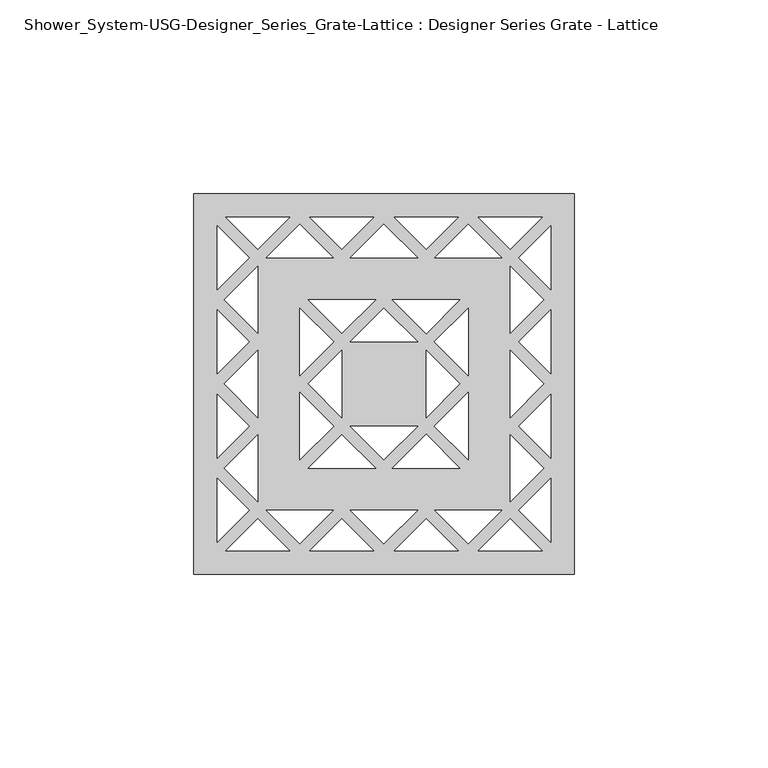
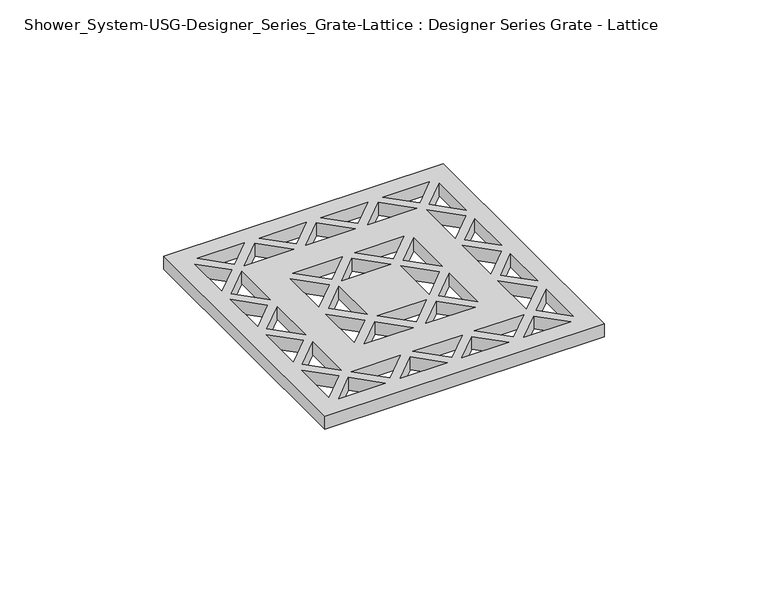
"""IFC4 building model written with IfcOpenShell, lengths in millimetres: proxy geometry, Shower_System-USG-Designer_Series_Grate-Lattice : Designer Series Grate - Lattice."""

import ifcopenshell
import ifcopenshell.guid

model = None  # the IFC model being written
_history = None  # IfcOwnerHistory: only IFC2X3 demands one
_inside = {}  # id of a spatial element -> (the spatial element, [elements in it])
_under = {}  # id of a project, library or spatial element -> (it, [spatial elements below it])
_declared = {}  # id of a project -> (the project, [libraries it declares])
_typed = {}  # id of a type object -> (the type object, [elements of that type])
_made_of = {}  # id of a material, layer set ... -> (it, [elements and type objects made of it])


def new_model(schema):
    """Start an empty IFC model of exactly this schema.

    Asked for "IFC4X3", IfcOpenShell would pick the latest addendum, in which some entities
    have other attributes; the version numbers below select the first issue.
    IFC2X3 requires an IfcOwnerHistory on every rooted entity: one is made here for all.
    """
    global model, _history
    if schema == "IFC4X3":
        model = ifcopenshell.file(schema_version=(4, 3, 0, 0))
    else:
        model = ifcopenshell.file(schema=schema)
    _inside.clear()
    _under.clear()
    _declared.clear()
    _typed.clear()
    _made_of.clear()
    _history = None
    if model.schema == "IFC2X3":
        org = make("IfcOrganization", Name="unknown")
        user = make(
            "IfcPersonAndOrganization",
            ThePerson=make("IfcPerson", FamilyName="unknown"),
            TheOrganization=org,
        )
        app = make(
            "IfcApplication",
            ApplicationDeveloper=org,
            Version="unknown",
            ApplicationFullName="unknown",
            ApplicationIdentifier="unknown",
        )
        _history = make(
            "IfcOwnerHistory",
            OwningUser=user,
            OwningApplication=app,
            ChangeAction="ADDED",
            CreationDate=0,
        )
    return model


def make(cls, **values):
    """One entity of the class cls with the attributes given. An attribute that is None is left unset."""
    return model.create_entity(
        cls, **{name: value for name, value in values.items() if value is not None}
    )


def rooted(cls, **values):
    """An entity with a GlobalId (a new one), such as an element, a storey or a relation."""
    return make(cls, GlobalId=ifcopenshell.guid.new(), OwnerHistory=_history, **values)


def si_unit(unit_type, name, prefix=None):
    """IfcSIUnit, for example si_unit("LENGTHUNIT", "METRE", prefix="MILLI")."""
    return make("IfcSIUnit", UnitType=unit_type, Prefix=prefix, Name=name)


def assignment(units):
    """IfcUnitAssignment: the units of a project."""
    return None if units is None else make("IfcUnitAssignment", Units=units)


def point(xyz):
    """IfcCartesianPoint."""
    return None if xyz is None else make("IfcCartesianPoint", Coordinates=xyz)


def direction(xyz):
    """IfcDirection."""
    return None if xyz is None else make("IfcDirection", DirectionRatios=xyz)


def frame(location, z_axis=None, x_axis=None):
    """IfcAxis2Placement3D, a coordinate frame: its origin and axes. An axis left out is left unset."""
    return make(
        "IfcAxis2Placement3D",
        Location=point(location),
        Axis=direction(z_axis),
        RefDirection=direction(x_axis),
    )


def origin():
    """The frame at (0, 0, 0) with its axes left unset."""
    return frame((0.0, 0.0, 0.0))


def origin_with_axes():
    """The frame at (0, 0, 0) with the z axis (0, 0, 1) and the x axis (1, 0, 0) written out."""
    return frame((0.0, 0.0, 0.0), z_axis=(0.0, 0.0, 1.0), x_axis=(1.0, 0.0, 0.0))


def place(relative_to, where):
    """IfcLocalPlacement: puts the frame where relative to a parent placement (None: the world)."""
    return make(
        "IfcLocalPlacement", PlacementRelTo=relative_to, RelativePlacement=where
    )


def context(
    kind, dimensions, precision=None, world=None, true_north=None, identifier=None
):
    """IfcGeometricRepresentationContext, for example the 3D "Model" context."""
    return make(
        "IfcGeometricRepresentationContext",
        ContextIdentifier=identifier,
        ContextType=kind,
        CoordinateSpaceDimension=dimensions,
        Precision=precision,
        WorldCoordinateSystem=world,
        TrueNorth=true_north,
    )


def project(units=None, contexts=None):
    """IfcProject with its units and contexts."""
    return rooted(
        "IfcProject",
        Name="project",
        RepresentationContexts=contexts,
        UnitsInContext=assignment(units),
    )


def spatial(cls, under=None, at=None, **own):
    """A site, building, storey or space (cls), placed at a placement, below another one or the project."""
    s = rooted(cls, ObjectPlacement=at, **own)
    if under is not None:
        _under.setdefault(under.id(), (under, []))[1].append(s)
    return s


def polyline(points):
    """IfcPolyline through the points."""
    return make("IfcPolyline", Points=[point(p) for p in points])


def outline(outer, holes=None, kind="AREA"):
    """IfcArbitraryClosedProfileDef: a profile drawn as a closed curve; with holes, ...WithVoids."""
    if holes is None:
        return make("IfcArbitraryClosedProfileDef", ProfileType=kind, OuterCurve=outer)
    return make(
        "IfcArbitraryProfileDefWithVoids",
        ProfileType=kind,
        OuterCurve=outer,
        InnerCurves=holes,
    )


def extrude(swept, where, along, depth):
    """IfcExtrudedAreaSolid: the profile swept, set in the frame where, extruded along a direction by depth."""
    return make(
        "IfcExtrudedAreaSolid",
        SweptArea=swept,
        Position=where,
        ExtrudedDirection=direction(along),
        Depth=depth,
    )


def shape(context_of_items, identifier, shape_type, items):
    """IfcShapeRepresentation: the items that make up one representation, for example the "Body"."""
    return make(
        "IfcShapeRepresentation",
        ContextOfItems=context_of_items,
        RepresentationIdentifier=identifier,
        RepresentationType=shape_type,
        Items=items,
    )


def source(mapping_origin, context_of_items, identifier, shape_type, items):
    """IfcRepresentationMap: a shape defined once, which mapped items show again and again."""
    return make(
        "IfcRepresentationMap",
        MappingOrigin=mapping_origin,
        MappedRepresentation=shape(context_of_items, identifier, shape_type, items),
    )


def transform(
    local_origin,
    x_axis=None,
    y_axis=None,
    z_axis=None,
    scale=None,
    scale2=None,
    scale3=None,
    uniform=True,
):
    """IfcCartesianTransformationOperator3D, or its non-uniform kind. x_axis, y_axis, z_axis: its Axis1, 2, 3."""
    if uniform:
        return make(
            "IfcCartesianTransformationOperator3D",
            Axis1=direction(x_axis),
            Axis2=direction(y_axis),
            LocalOrigin=point(local_origin),
            Scale=scale,
            Axis3=direction(z_axis),
        )
    return make(
        "IfcCartesianTransformationOperator3DnonUniform",
        Axis1=direction(x_axis),
        Axis2=direction(y_axis),
        LocalOrigin=point(local_origin),
        Scale=scale,
        Axis3=direction(z_axis),
        Scale2=scale2,
        Scale3=scale3,
    )


def mapped(mapping_source, mapping_target):
    """IfcMappedItem: shows the shape of a source again, moved by a transform."""
    return make(
        "IfcMappedItem", MappingSource=mapping_source, MappingTarget=mapping_target
    )


def made_of(thing, what):
    """Note that an element or type object is made of a material, layer set ...; save() writes the relation."""
    if what is not None:
        _made_of.setdefault(what.id(), (what, []))[1].append(thing)
    return thing


def element(
    cls,
    number,
    at=None,
    inside=None,
    cuts=None,
    type_object=None,
    material=None,
    context=None,
    identifier="Body",
    shape_type=None,
    held_by="IfcProductDefinitionShape",
    body=None,
    shapes=None,
    **own,
):
    """One element of the class cls, such as IfcWall. Its Tag is "e" and its number.

    at: its placement. inside: the storey or other place that contains it. cuts: it is an
    opening in that element (IfcRelVoidsElement). A single representation is given by context,
    identifier, shape_type and body (its items); several are given by shapes. held_by: the class
    of the entity that holds the representations. save() writes the other relations.
    """
    e = rooted(cls, Tag="e%d" % number, ObjectPlacement=at, **own)
    if body is not None:
        shapes = [shape(context, identifier, shape_type, body)]
    if shapes is not None:
        e.Representation = make(held_by, Representations=shapes)
    if inside is not None:
        _inside.setdefault(inside.id(), (inside, []))[1].append(e)
    if cuts is not None:
        rooted(
            "IfcRelVoidsElement", RelatingBuildingElement=cuts, RelatedOpeningElement=e
        )
    if type_object is not None:
        _typed.setdefault(type_object.id(), (type_object, []))[1].append(e)
    return made_of(e, material)


def aggregate(whole, parts):
    """IfcRelAggregates: a whole, such as a stair, and the parts it consists of."""
    return rooted("IfcRelAggregates", RelatingObject=whole, RelatedObjects=parts)


def save(model, path):
    """Write the relations noted so far, then the file.

    IfcRelAggregates (storeys below a building ...), IfcRelContainedInSpatialStructure (elements
    in a storey), IfcRelDefinesByType, IfcRelAssociatesMaterial and IfcRelDeclares: one each for
    every whole, place, type object, material and project.
    """
    for whole, parts in _under.values():
        aggregate(whole, parts)
    for where, things in _inside.values():
        rooted(
            "IfcRelContainedInSpatialStructure",
            RelatedElements=things,
            RelatingStructure=where,
        )
    for kind, things in _typed.values():
        rooted("IfcRelDefinesByType", RelatedObjects=things, RelatingType=kind)
    for what, things in _made_of.values():
        rooted("IfcRelAssociatesMaterial", RelatedObjects=things, RelatingMaterial=what)
    for by, libraries in _declared.values():
        rooted("IfcRelDeclares", RelatingContext=by, RelatedDefinitions=libraries)
    model.write(path)


def shower_system_usg_designer_series_grate_lattice_designer_726db01f(model_context):
    return source(origin(), model_context, "Body", "SweptSolid", [
        extrude(outline(polyline([(49.2125, -49.2125), (-49.2125, -49.2125), (-49.2125, 49.2125), (49.2125, 49.2125), (49.2125, -49.2125)]), holes=[polyline([(34.7984925, 32.6235867), (43.0609375, 24.3611417), (43.0609375, 40.8860317), (34.7984925, 32.6235867)]), polyline([(41.3232098, 21.7490578), (32.6235867, 30.4486809), (32.6235867, 13.0494347), (41.3232098, 21.7490578)]), polyline([(43.0609375, 2.6120839), (43.0609375, 19.1369739), (34.7984925, 10.8745289), (43.0609375, 2.6120839)]), polyline([(41.3232098, 0.0), (32.6235867, 8.6996231), (32.6235867, -8.6996231), (41.3232098, 0.0)]), polyline([(34.7984925, -32.6235867), (43.0609375, -40.8860317), (43.0609375, -24.3611417), (34.7984925, -32.6235867)]), polyline([(41.3232098, -21.7490578), (32.6235867, -13.0494347), (32.6235867, -30.4486809), (41.3232098, -21.7490578)]), polyline([(43.0609375, -2.6120839), (34.7984925, -10.8745289), (43.0609375, -19.1369739), (43.0609375, -2.6120839)]), polyline([(-34.7984925, 32.6235867), (-43.0609375, 40.8860317), (-43.0609375, 24.3611417), (-34.7984925, 32.6235867)]), polyline([(-41.3232098, 21.7490578), (-32.6235867, 13.0494347), (-32.6235867, 30.4486809), (-41.3232098, 21.7490578)]), polyline([(-43.0609375, 2.6120839), (-34.7984925, 10.8745289), (-43.0609375, 19.1369739), (-43.0609375, 2.6120839)]), polyline([(-41.3232098, 0.0), (-32.6235867, -8.6996231), (-32.6235867, 8.6996231), (-41.3232098, 0.0)]), polyline([(-34.7984925, -32.6235867), (-43.0609375, -24.3611417), (-43.0609375, -40.8860317), (-34.7984925, -32.6235867)]), polyline([(-41.3232098, -21.7490578), (-32.6235867, -30.4486809), (-32.6235867, -13.0494347), (-41.3232098, -21.7490578)]), polyline([(-43.0609375, -2.6120839), (-43.0609375, -19.1369739), (-34.7984925, -10.8745289), (-43.0609375, -2.6120839)]), polyline([(-32.6235867, -34.7984925), (-40.8860317, -43.0609375), (-24.3611417, -43.0609375), (-32.6235867, -34.7984925)]), polyline([(-21.7490578, -41.3232098), (-13.0494347, -32.6235867), (-30.4486809, -32.6235867), (-21.7490578, -41.3232098)]), polyline([(-2.6120839, -43.0609375), (-10.8745289, -34.7984925), (-19.1369739, -43.0609375), (-2.6120839, -43.0609375)]), polyline([(0.0, -41.3232098), (8.6996231, -32.6235867), (-8.6996231, -32.6235867), (0.0, -41.3232098)]), polyline([(32.6235867, -34.7984925), (24.3611417, -43.0609375), (40.8860317, -43.0609375), (32.6235867, -34.7984925)]), polyline([(21.7490578, -41.3232098), (30.4486809, -32.6235867), (13.0494347, -32.6235867), (21.7490578, -41.3232098)]), polyline([(2.6120839, -43.0609375), (19.1369739, -43.0609375), (10.8745289, -34.7984925), (2.6120839, -43.0609375)]), polyline([(-32.6235867, 34.7984925), (-24.3611417, 43.0609375), (-40.8860317, 43.0609375), (-32.6235867, 34.7984925)]), polyline([(-21.7490578, 41.3232098), (-30.4486809, 32.6235867), (-13.0494347, 32.6235867), (-21.7490578, 41.3232098)]), polyline([(-2.6120839, 43.0609375), (-19.1369739, 43.0609375), (-10.8745289, 34.7984925), (-2.6120839, 43.0609375)]), polyline([(0.0, 41.3232098), (-8.6996231, 32.6235867), (8.6996231, 32.6235867), (0.0, 41.3232098)]), polyline([(32.6235867, 34.7984925), (40.8860317, 43.0609375), (24.3611417, 43.0609375), (32.6235867, 34.7984925)]), polyline([(21.7490578, 41.3232098), (13.0494347, 32.6235867), (30.4486809, 32.6235867), (21.7490578, 41.3232098)]), polyline([(2.6120839, 43.0609375), (10.8745289, 34.7984925), (19.1369739, 43.0609375), (2.6120839, 43.0609375)]), polyline([(10.8693114, 13.0442172), (19.5689345, 21.7438403), (2.1696883, 21.7438403), (10.8693114, 13.0442172)]), polyline([(-10.8745289, 13.0494347), (-2.1749058, 21.7490578), (-19.574152, 21.7490578), (-10.8745289, 13.0494347)]), polyline([(-0.0052175, 19.5689345), (-8.6996231, 10.8745289), (8.6891881, 10.8745289), (-0.0052175, 19.5689345)]), polyline([(10.8693114, -13.0442172), (2.1696883, -21.7438403), (19.5689345, -21.7438403), (10.8693114, -13.0442172)]), polyline([(-10.8745289, -13.0494347), (-19.574152, -21.7490578), (-2.1749058, -21.7490578), (-10.8745289, -13.0494347)]), polyline([(-0.0052175, -19.5689345), (8.6891881, -10.8745289), (-8.6996231, -10.8745289), (-0.0052175, -19.5689345)]), polyline([(13.0389997, 10.8745289), (21.7386228, 2.1749058), (21.7386228, 19.574152), (13.0389997, 10.8745289)]), polyline([(13.0442172, -10.8693114), (21.7438403, -19.5689345), (21.7438403, -2.1696883), (13.0442172, -10.8693114)]), polyline([(19.563717, 0.0), (10.8693114, 8.6944056), (10.8693114, -8.6944056), (19.563717, 0.0)]), polyline([(-13.0389997, 10.8745289), (-21.7386228, 19.574152), (-21.7386228, 2.1749058), (-13.0389997, 10.8745289)]), polyline([(-13.0442172, -10.8693114), (-21.7438403, -2.1696883), (-21.7438403, -19.5689345), (-13.0442172, -10.8693114)]), polyline([(-19.563717, 0.0), (-10.8693114, -8.6944056), (-10.8693114, 8.6944056), (-19.563717, 0.0)])]), origin_with_axes(), (0.0, 0.0, 1.0), 4.7625),
    ])


if __name__ == "__main__":
    model = new_model("IFC4")
    model_context = context("Model", 3, world=origin())
    ifc_project = project(units=[si_unit("LENGTHUNIT", "METRE", prefix="MILLI")], contexts=[model_context])
    site = spatial("IfcSite", under=ifc_project)
    building = spatial("IfcBuilding", under=site)
    placement = place(None, origin())
    shower_system_usg_designer_series_grate_lattice_designer_shape = shower_system_usg_designer_series_grate_lattice_designer_726db01f(model_context)
    element("IfcBuildingElementProxy", 1, Name="Shower_System-USG-Designer_Series_Grate-Lattice : Designer Series Grate - Lattice", ObjectType="Shower_System-USG-Designer_Series_Grate-Lattice : Designer Series Grate - Lattice", at=placement, inside=building, context=model_context, shape_type="MappedRepresentation", body=[
        mapped(shower_system_usg_designer_series_grate_lattice_designer_shape, transform((0.0, 0.0, 0.0), x_axis=(1.0, 0.0, 0.0), y_axis=(0.0, 1.0, 0.0), z_axis=(0.0, 0.0, 1.0))),
    ])
    save(model, "model.ifc")
